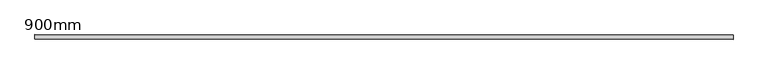
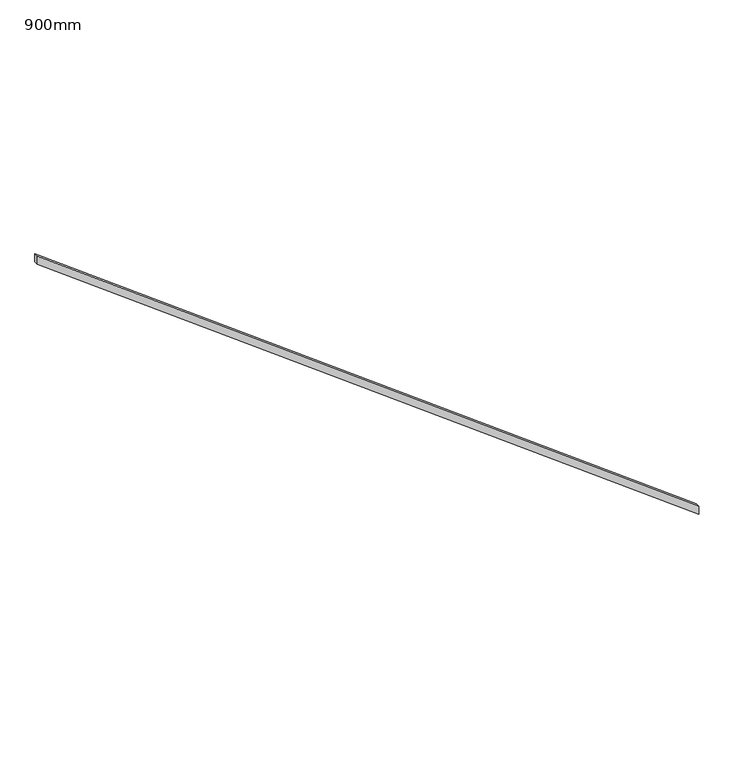
"""IFC4 building model written with IfcOpenShell, lengths in millimetres: railing geometry, 900mm."""

from ifc_helpers import new_model, si_unit, frame, origin, place, context, project, spatial, polyline, outline, extrude, source, transform, mapped, element, save


def railing_900mm_3cfb49fb(model_context):
    return source(origin(), model_context, "Body", "SweptSolid", [
        extrude(outline(polyline([(1242.25, 156897.861144), (1337.5, 156897.861144), (7150.0, 149147.861144), (7054.75, 149147.861144), (1242.25, 156897.861144)])), frame((0.0, 49339.3663525, 0.0), z_axis=(0.0, 1.0, 0.0), x_axis=(0.0, 0.0, 1.0)), (0.0, 0.0, 1.0), 50.8),
    ])


if __name__ == "__main__":
    model = new_model("IFC4")
    model_context = context("Model", 3, world=origin())
    ifc_project = project(units=[si_unit("LENGTHUNIT", "METRE", prefix="MILLI")], contexts=[model_context])
    site = spatial("IfcSite", under=ifc_project)
    building = spatial("IfcBuilding", under=site)
    placement = place(None, origin())
    railing_900mm_shape = railing_900mm_3cfb49fb(model_context)
    element("IfcRailing", 1, ObjectType="900mm", at=placement, inside=building, context=model_context, shape_type="MappedRepresentation", body=[
        mapped(railing_900mm_shape, transform((0.0, 0.0, 0.0), x_axis=(1.0, 0.0, 0.0), y_axis=(0.0, 1.0, 0.0), z_axis=(0.0, 0.0, 1.0))),
    ])
    save(model, "model.ifc")
